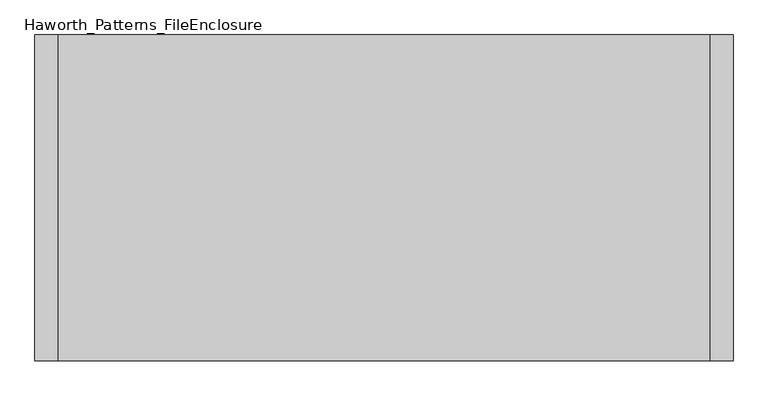
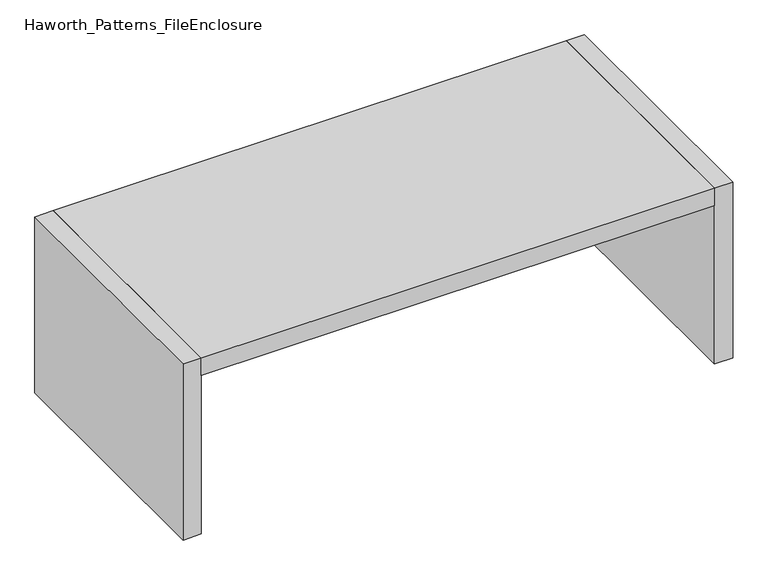
"""IFC4 building model written with IfcOpenShell, lengths in millimetres: furniture geometry, Haworth_Patterns_FileEnclosure."""

from ifc_helpers import new_model, si_unit, frame, origin, origin_with_axes, place, context, project, spatial, polyline, outline, extrude, source, transform, mapped, element, save


def haworth_patterns_fileenclosure_030dc776(model_context):
    return source(origin(), model_context, "Body", "SweptSolid", [
        extrude(outline(polyline([(1066.8, 0.0), (1066.8, -1066.8), (-1066.8, -1066.8), (-1066.8, 0.0), (1066.8, 0.0)])), frame((0.0, 0.0, 698.5), z_axis=(0.0, 0.0, 1.0), x_axis=(1.0, 0.0, 0.0)), (0.0, 0.0, 1.0), 76.2),
        extrude(outline(polyline([(1066.8, 0.0), (1143.0, 0.0), (1143.0, -1066.8), (1066.8, -1066.8), (1066.8, 0.0)])), origin_with_axes(), (0.0, 0.0, 1.0), 774.7),
        extrude(outline(polyline([(-1066.8, 0.0), (-1066.8, -1066.8), (-1143.0, -1066.8), (-1143.0, 0.0), (-1066.8, 0.0)])), origin_with_axes(), (0.0, 0.0, 1.0), 774.7),
    ])


if __name__ == "__main__":
    model = new_model("IFC4")
    model_context = context("Model", 3, world=origin())
    ifc_project = project(units=[si_unit("LENGTHUNIT", "METRE", prefix="MILLI")], contexts=[model_context])
    site = spatial("IfcSite", under=ifc_project)
    building = spatial("IfcBuilding", under=site)
    placement = place(None, origin())
    haworth_patterns_fileenclosure_shape = haworth_patterns_fileenclosure_030dc776(model_context)
    element("IfcFurniture", 1, ObjectType="Haworth_Patterns_FileEnclosure", at=placement, inside=building, context=model_context, shape_type="MappedRepresentation", body=[
        mapped(haworth_patterns_fileenclosure_shape, transform((0.0, 0.0, 0.0), x_axis=(1.0, 0.0, 0.0), y_axis=(0.0, 1.0, 0.0), z_axis=(0.0, 0.0, 1.0))),
    ])
    save(model, "model.ifc")
